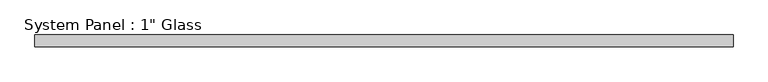
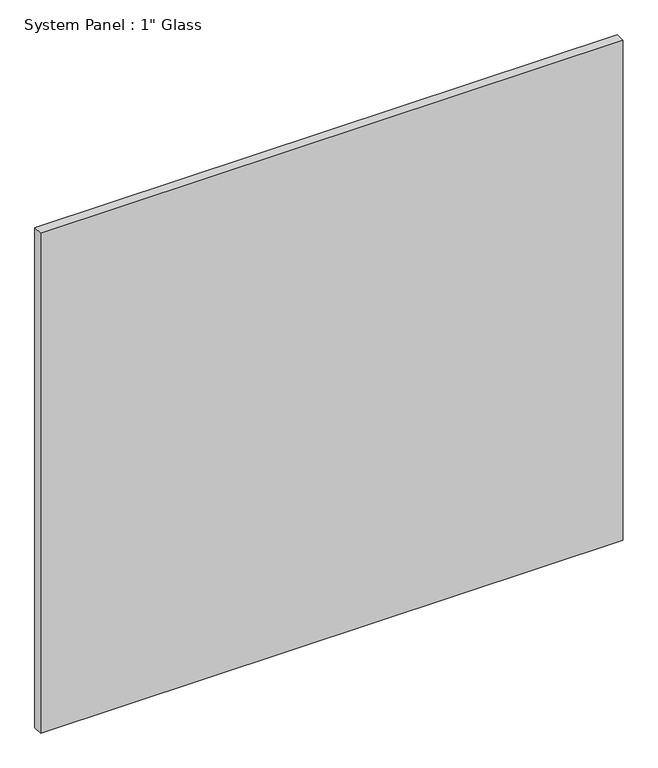
"""IFC4 building model written with IfcOpenShell, lengths in millimetres: plate geometry."""

import ifcopenshell
import ifcopenshell.guid

model = None  # the IFC model being written
_history = None  # IfcOwnerHistory: only IFC2X3 demands one
_inside = {}  # id of a spatial element -> (the spatial element, [elements in it])
_under = {}  # id of a project, library or spatial element -> (it, [spatial elements below it])
_declared = {}  # id of a project -> (the project, [libraries it declares])
_typed = {}  # id of a type object -> (the type object, [elements of that type])
_made_of = {}  # id of a material, layer set ... -> (it, [elements and type objects made of it])


def new_model(schema):
    """Start an empty IFC model of exactly this schema.

    Asked for "IFC4X3", IfcOpenShell would pick the latest addendum, in which some entities
    have other attributes; the version numbers below select the first issue.
    IFC2X3 requires an IfcOwnerHistory on every rooted entity: one is made here for all.
    """
    global model, _history
    if schema == "IFC4X3":
        model = ifcopenshell.file(schema_version=(4, 3, 0, 0))
    else:
        model = ifcopenshell.file(schema=schema)
    _inside.clear()
    _under.clear()
    _declared.clear()
    _typed.clear()
    _made_of.clear()
    _history = None
    if model.schema == "IFC2X3":
        org = make("IfcOrganization", Name="unknown")
        user = make(
            "IfcPersonAndOrganization",
            ThePerson=make("IfcPerson", FamilyName="unknown"),
            TheOrganization=org,
        )
        app = make(
            "IfcApplication",
            ApplicationDeveloper=org,
            Version="unknown",
            ApplicationFullName="unknown",
            ApplicationIdentifier="unknown",
        )
        _history = make(
            "IfcOwnerHistory",
            OwningUser=user,
            OwningApplication=app,
            ChangeAction="ADDED",
            CreationDate=0,
        )
    return model


def make(cls, **values):
    """One entity of the class cls with the attributes given. An attribute that is None is left unset."""
    return model.create_entity(
        cls, **{name: value for name, value in values.items() if value is not None}
    )


def rooted(cls, **values):
    """An entity with a GlobalId (a new one), such as an element, a storey or a relation."""
    return make(cls, GlobalId=ifcopenshell.guid.new(), OwnerHistory=_history, **values)


def si_unit(unit_type, name, prefix=None):
    """IfcSIUnit, for example si_unit("LENGTHUNIT", "METRE", prefix="MILLI")."""
    return make("IfcSIUnit", UnitType=unit_type, Prefix=prefix, Name=name)


def assignment(units):
    """IfcUnitAssignment: the units of a project."""
    return None if units is None else make("IfcUnitAssignment", Units=units)


def point(xyz):
    """IfcCartesianPoint."""
    return None if xyz is None else make("IfcCartesianPoint", Coordinates=xyz)


def direction(xyz):
    """IfcDirection."""
    return None if xyz is None else make("IfcDirection", DirectionRatios=xyz)


def frame(location, z_axis=None, x_axis=None):
    """IfcAxis2Placement3D, a coordinate frame: its origin and axes. An axis left out is left unset."""
    return make(
        "IfcAxis2Placement3D",
        Location=point(location),
        Axis=direction(z_axis),
        RefDirection=direction(x_axis),
    )


def origin():
    """The frame at (0, 0, 0) with its axes left unset."""
    return frame((0.0, 0.0, 0.0))


def origin_with_axes():
    """The frame at (0, 0, 0) with the z axis (0, 0, 1) and the x axis (1, 0, 0) written out."""
    return frame((0.0, 0.0, 0.0), z_axis=(0.0, 0.0, 1.0), x_axis=(1.0, 0.0, 0.0))


def place(relative_to, where):
    """IfcLocalPlacement: puts the frame where relative to a parent placement (None: the world)."""
    return make(
        "IfcLocalPlacement", PlacementRelTo=relative_to, RelativePlacement=where
    )


def context(
    kind, dimensions, precision=None, world=None, true_north=None, identifier=None
):
    """IfcGeometricRepresentationContext, for example the 3D "Model" context."""
    return make(
        "IfcGeometricRepresentationContext",
        ContextIdentifier=identifier,
        ContextType=kind,
        CoordinateSpaceDimension=dimensions,
        Precision=precision,
        WorldCoordinateSystem=world,
        TrueNorth=true_north,
    )


def project(units=None, contexts=None):
    """IfcProject with its units and contexts."""
    return rooted(
        "IfcProject",
        Name="project",
        RepresentationContexts=contexts,
        UnitsInContext=assignment(units),
    )


def spatial(cls, under=None, at=None, **own):
    """A site, building, storey or space (cls), placed at a placement, below another one or the project."""
    s = rooted(cls, ObjectPlacement=at, **own)
    if under is not None:
        _under.setdefault(under.id(), (under, []))[1].append(s)
    return s


def polyline(points):
    """IfcPolyline through the points."""
    return make("IfcPolyline", Points=[point(p) for p in points])


def outline(outer, holes=None, kind="AREA"):
    """IfcArbitraryClosedProfileDef: a profile drawn as a closed curve; with holes, ...WithVoids."""
    if holes is None:
        return make("IfcArbitraryClosedProfileDef", ProfileType=kind, OuterCurve=outer)
    return make(
        "IfcArbitraryProfileDefWithVoids",
        ProfileType=kind,
        OuterCurve=outer,
        InnerCurves=holes,
    )


def extrude(swept, where, along, depth):
    """IfcExtrudedAreaSolid: the profile swept, set in the frame where, extruded along a direction by depth."""
    return make(
        "IfcExtrudedAreaSolid",
        SweptArea=swept,
        Position=where,
        ExtrudedDirection=direction(along),
        Depth=depth,
    )


def shape(context_of_items, identifier, shape_type, items):
    """IfcShapeRepresentation: the items that make up one representation, for example the "Body"."""
    return make(
        "IfcShapeRepresentation",
        ContextOfItems=context_of_items,
        RepresentationIdentifier=identifier,
        RepresentationType=shape_type,
        Items=items,
    )


def source(mapping_origin, context_of_items, identifier, shape_type, items):
    """IfcRepresentationMap: a shape defined once, which mapped items show again and again."""
    return make(
        "IfcRepresentationMap",
        MappingOrigin=mapping_origin,
        MappedRepresentation=shape(context_of_items, identifier, shape_type, items),
    )


def transform(
    local_origin,
    x_axis=None,
    y_axis=None,
    z_axis=None,
    scale=None,
    scale2=None,
    scale3=None,
    uniform=True,
):
    """IfcCartesianTransformationOperator3D, or its non-uniform kind. x_axis, y_axis, z_axis: its Axis1, 2, 3."""
    if uniform:
        return make(
            "IfcCartesianTransformationOperator3D",
            Axis1=direction(x_axis),
            Axis2=direction(y_axis),
            LocalOrigin=point(local_origin),
            Scale=scale,
            Axis3=direction(z_axis),
        )
    return make(
        "IfcCartesianTransformationOperator3DnonUniform",
        Axis1=direction(x_axis),
        Axis2=direction(y_axis),
        LocalOrigin=point(local_origin),
        Scale=scale,
        Axis3=direction(z_axis),
        Scale2=scale2,
        Scale3=scale3,
    )


def mapped(mapping_source, mapping_target):
    """IfcMappedItem: shows the shape of a source again, moved by a transform."""
    return make(
        "IfcMappedItem", MappingSource=mapping_source, MappingTarget=mapping_target
    )


def made_of(thing, what):
    """Note that an element or type object is made of a material, layer set ...; save() writes the relation."""
    if what is not None:
        _made_of.setdefault(what.id(), (what, []))[1].append(thing)
    return thing


def element(
    cls,
    number,
    at=None,
    inside=None,
    cuts=None,
    type_object=None,
    material=None,
    context=None,
    identifier="Body",
    shape_type=None,
    held_by="IfcProductDefinitionShape",
    body=None,
    shapes=None,
    **own,
):
    """One element of the class cls, such as IfcWall. Its Tag is "e" and its number.

    at: its placement. inside: the storey or other place that contains it. cuts: it is an
    opening in that element (IfcRelVoidsElement). A single representation is given by context,
    identifier, shape_type and body (its items); several are given by shapes. held_by: the class
    of the entity that holds the representations. save() writes the other relations.
    """
    e = rooted(cls, Tag="e%d" % number, ObjectPlacement=at, **own)
    if body is not None:
        shapes = [shape(context, identifier, shape_type, body)]
    if shapes is not None:
        e.Representation = make(held_by, Representations=shapes)
    if inside is not None:
        _inside.setdefault(inside.id(), (inside, []))[1].append(e)
    if cuts is not None:
        rooted(
            "IfcRelVoidsElement", RelatingBuildingElement=cuts, RelatedOpeningElement=e
        )
    if type_object is not None:
        _typed.setdefault(type_object.id(), (type_object, []))[1].append(e)
    return made_of(e, material)


def aggregate(whole, parts):
    """IfcRelAggregates: a whole, such as a stair, and the parts it consists of."""
    return rooted("IfcRelAggregates", RelatingObject=whole, RelatedObjects=parts)


def save(model, path):
    """Write the relations noted so far, then the file.

    IfcRelAggregates (storeys below a building ...), IfcRelContainedInSpatialStructure (elements
    in a storey), IfcRelDefinesByType, IfcRelAssociatesMaterial and IfcRelDeclares: one each for
    every whole, place, type object, material and project.
    """
    for whole, parts in _under.values():
        aggregate(whole, parts)
    for where, things in _inside.values():
        rooted(
            "IfcRelContainedInSpatialStructure",
            RelatedElements=things,
            RelatingStructure=where,
        )
    for kind, things in _typed.values():
        rooted("IfcRelDefinesByType", RelatedObjects=things, RelatingType=kind)
    for what, things in _made_of.values():
        rooted("IfcRelAssociatesMaterial", RelatedObjects=things, RelatingMaterial=what)
    for by, libraries in _declared.values():
        rooted("IfcRelDeclares", RelatingContext=by, RelatedDefinitions=libraries)
    model.write(path)


def plate_cba2e012(model_context):
    return source(origin(), model_context, "Body", "SweptSolid", [
        extrude(outline(polyline([(762.0, -12.7), (-762.0, -12.7), (-762.0, 12.7), (762.0, 12.7), (762.0, -12.7)])), origin_with_axes(), (0.0, 0.0, 1.0), 1381.125),
    ])


if __name__ == "__main__":
    model = new_model("IFC4")
    model_context = context("Model", 3, world=origin())
    ifc_project = project(units=[si_unit("LENGTHUNIT", "METRE", prefix="MILLI")], contexts=[model_context])
    site = spatial("IfcSite", under=ifc_project)
    building = spatial("IfcBuilding", under=site)
    placement = place(None, origin())
    plate_shape = plate_cba2e012(model_context)
    element("IfcPlate", 1, ObjectType="System Panel : 1\" Glass", at=placement, inside=building, context=model_context, shape_type="MappedRepresentation", body=[
        mapped(plate_shape, transform((0.0, 0.0, 0.0), x_axis=(1.0, 0.0, 0.0), y_axis=(0.0, 1.0, 0.0), z_axis=(0.0, 0.0, 1.0))),
    ])
    save(model, "model.ifc")
